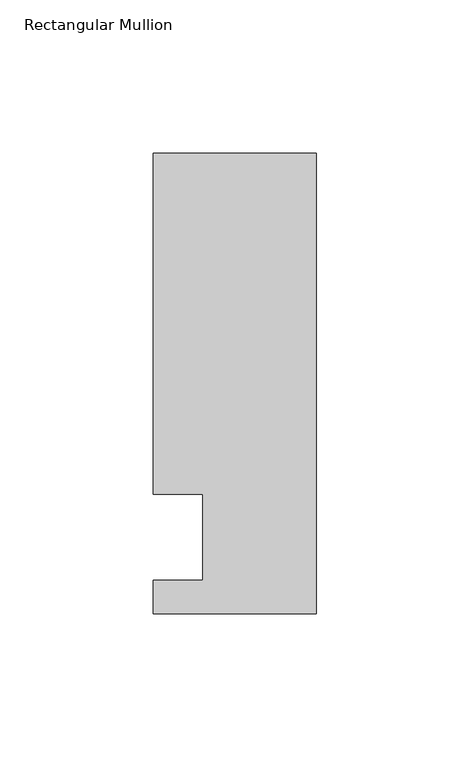
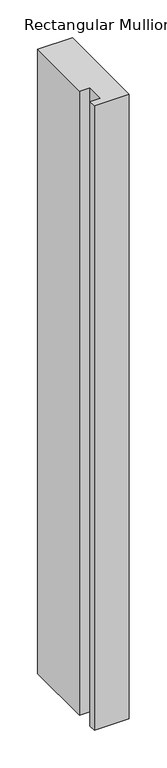
"""IFC4 building model written with IfcOpenShell, lengths in millimetres: member geometry, Rectangular Mullion."""

import ifcopenshell
import ifcopenshell.guid

model = None  # the IFC model being written
_history = None  # IfcOwnerHistory: only IFC2X3 demands one
_inside = {}  # id of a spatial element -> (the spatial element, [elements in it])
_under = {}  # id of a project, library or spatial element -> (it, [spatial elements below it])
_declared = {}  # id of a project -> (the project, [libraries it declares])
_typed = {}  # id of a type object -> (the type object, [elements of that type])
_made_of = {}  # id of a material, layer set ... -> (it, [elements and type objects made of it])


def new_model(schema):
    """Start an empty IFC model of exactly this schema.

    Asked for "IFC4X3", IfcOpenShell would pick the latest addendum, in which some entities
    have other attributes; the version numbers below select the first issue.
    IFC2X3 requires an IfcOwnerHistory on every rooted entity: one is made here for all.
    """
    global model, _history
    if schema == "IFC4X3":
        model = ifcopenshell.file(schema_version=(4, 3, 0, 0))
    else:
        model = ifcopenshell.file(schema=schema)
    _inside.clear()
    _under.clear()
    _declared.clear()
    _typed.clear()
    _made_of.clear()
    _history = None
    if model.schema == "IFC2X3":
        org = make("IfcOrganization", Name="unknown")
        user = make(
            "IfcPersonAndOrganization",
            ThePerson=make("IfcPerson", FamilyName="unknown"),
            TheOrganization=org,
        )
        app = make(
            "IfcApplication",
            ApplicationDeveloper=org,
            Version="unknown",
            ApplicationFullName="unknown",
            ApplicationIdentifier="unknown",
        )
        _history = make(
            "IfcOwnerHistory",
            OwningUser=user,
            OwningApplication=app,
            ChangeAction="ADDED",
            CreationDate=0,
        )
    return model


def make(cls, **values):
    """One entity of the class cls with the attributes given. An attribute that is None is left unset."""
    return model.create_entity(
        cls, **{name: value for name, value in values.items() if value is not None}
    )


def rooted(cls, **values):
    """An entity with a GlobalId (a new one), such as an element, a storey or a relation."""
    return make(cls, GlobalId=ifcopenshell.guid.new(), OwnerHistory=_history, **values)


def si_unit(unit_type, name, prefix=None):
    """IfcSIUnit, for example si_unit("LENGTHUNIT", "METRE", prefix="MILLI")."""
    return make("IfcSIUnit", UnitType=unit_type, Prefix=prefix, Name=name)


def assignment(units):
    """IfcUnitAssignment: the units of a project."""
    return None if units is None else make("IfcUnitAssignment", Units=units)


def point(xyz):
    """IfcCartesianPoint."""
    return None if xyz is None else make("IfcCartesianPoint", Coordinates=xyz)


def direction(xyz):
    """IfcDirection."""
    return None if xyz is None else make("IfcDirection", DirectionRatios=xyz)


def frame(location, z_axis=None, x_axis=None):
    """IfcAxis2Placement3D, a coordinate frame: its origin and axes. An axis left out is left unset."""
    return make(
        "IfcAxis2Placement3D",
        Location=point(location),
        Axis=direction(z_axis),
        RefDirection=direction(x_axis),
    )


def origin():
    """The frame at (0, 0, 0) with its axes left unset."""
    return frame((0.0, 0.0, 0.0))


def place(relative_to, where):
    """IfcLocalPlacement: puts the frame where relative to a parent placement (None: the world)."""
    return make(
        "IfcLocalPlacement", PlacementRelTo=relative_to, RelativePlacement=where
    )


def context(
    kind, dimensions, precision=None, world=None, true_north=None, identifier=None
):
    """IfcGeometricRepresentationContext, for example the 3D "Model" context."""
    return make(
        "IfcGeometricRepresentationContext",
        ContextIdentifier=identifier,
        ContextType=kind,
        CoordinateSpaceDimension=dimensions,
        Precision=precision,
        WorldCoordinateSystem=world,
        TrueNorth=true_north,
    )


def project(units=None, contexts=None):
    """IfcProject with its units and contexts."""
    return rooted(
        "IfcProject",
        Name="project",
        RepresentationContexts=contexts,
        UnitsInContext=assignment(units),
    )


def spatial(cls, under=None, at=None, **own):
    """A site, building, storey or space (cls), placed at a placement, below another one or the project."""
    s = rooted(cls, ObjectPlacement=at, **own)
    if under is not None:
        _under.setdefault(under.id(), (under, []))[1].append(s)
    return s


def polyline(points):
    """IfcPolyline through the points."""
    return make("IfcPolyline", Points=[point(p) for p in points])


def outline(outer, holes=None, kind="AREA"):
    """IfcArbitraryClosedProfileDef: a profile drawn as a closed curve; with holes, ...WithVoids."""
    if holes is None:
        return make("IfcArbitraryClosedProfileDef", ProfileType=kind, OuterCurve=outer)
    return make(
        "IfcArbitraryProfileDefWithVoids",
        ProfileType=kind,
        OuterCurve=outer,
        InnerCurves=holes,
    )


def extrude(swept, where, along, depth):
    """IfcExtrudedAreaSolid: the profile swept, set in the frame where, extruded along a direction by depth."""
    return make(
        "IfcExtrudedAreaSolid",
        SweptArea=swept,
        Position=where,
        ExtrudedDirection=direction(along),
        Depth=depth,
    )


def shape(context_of_items, identifier, shape_type, items):
    """IfcShapeRepresentation: the items that make up one representation, for example the "Body"."""
    return make(
        "IfcShapeRepresentation",
        ContextOfItems=context_of_items,
        RepresentationIdentifier=identifier,
        RepresentationType=shape_type,
        Items=items,
    )


def source(mapping_origin, context_of_items, identifier, shape_type, items):
    """IfcRepresentationMap: a shape defined once, which mapped items show again and again."""
    return make(
        "IfcRepresentationMap",
        MappingOrigin=mapping_origin,
        MappedRepresentation=shape(context_of_items, identifier, shape_type, items),
    )


def transform(
    local_origin,
    x_axis=None,
    y_axis=None,
    z_axis=None,
    scale=None,
    scale2=None,
    scale3=None,
    uniform=True,
):
    """IfcCartesianTransformationOperator3D, or its non-uniform kind. x_axis, y_axis, z_axis: its Axis1, 2, 3."""
    if uniform:
        return make(
            "IfcCartesianTransformationOperator3D",
            Axis1=direction(x_axis),
            Axis2=direction(y_axis),
            LocalOrigin=point(local_origin),
            Scale=scale,
            Axis3=direction(z_axis),
        )
    return make(
        "IfcCartesianTransformationOperator3DnonUniform",
        Axis1=direction(x_axis),
        Axis2=direction(y_axis),
        LocalOrigin=point(local_origin),
        Scale=scale,
        Axis3=direction(z_axis),
        Scale2=scale2,
        Scale3=scale3,
    )


def mapped(mapping_source, mapping_target):
    """IfcMappedItem: shows the shape of a source again, moved by a transform."""
    return make(
        "IfcMappedItem", MappingSource=mapping_source, MappingTarget=mapping_target
    )


def made_of(thing, what):
    """Note that an element or type object is made of a material, layer set ...; save() writes the relation."""
    if what is not None:
        _made_of.setdefault(what.id(), (what, []))[1].append(thing)
    return thing


def element(
    cls,
    number,
    at=None,
    inside=None,
    cuts=None,
    type_object=None,
    material=None,
    context=None,
    identifier="Body",
    shape_type=None,
    held_by="IfcProductDefinitionShape",
    body=None,
    shapes=None,
    **own,
):
    """One element of the class cls, such as IfcWall. Its Tag is "e" and its number.

    at: its placement. inside: the storey or other place that contains it. cuts: it is an
    opening in that element (IfcRelVoidsElement). A single representation is given by context,
    identifier, shape_type and body (its items); several are given by shapes. held_by: the class
    of the entity that holds the representations. save() writes the other relations.
    """
    e = rooted(cls, Tag="e%d" % number, ObjectPlacement=at, **own)
    if body is not None:
        shapes = [shape(context, identifier, shape_type, body)]
    if shapes is not None:
        e.Representation = make(held_by, Representations=shapes)
    if inside is not None:
        _inside.setdefault(inside.id(), (inside, []))[1].append(e)
    if cuts is not None:
        rooted(
            "IfcRelVoidsElement", RelatingBuildingElement=cuts, RelatedOpeningElement=e
        )
    if type_object is not None:
        _typed.setdefault(type_object.id(), (type_object, []))[1].append(e)
    return made_of(e, material)


def aggregate(whole, parts):
    """IfcRelAggregates: a whole, such as a stair, and the parts it consists of."""
    return rooted("IfcRelAggregates", RelatingObject=whole, RelatedObjects=parts)


def save(model, path):
    """Write the relations noted so far, then the file.

    IfcRelAggregates (storeys below a building ...), IfcRelContainedInSpatialStructure (elements
    in a storey), IfcRelDefinesByType, IfcRelAssociatesMaterial and IfcRelDeclares: one each for
    every whole, place, type object, material and project.
    """
    for whole, parts in _under.values():
        aggregate(whole, parts)
    for where, things in _inside.values():
        rooted(
            "IfcRelContainedInSpatialStructure",
            RelatedElements=things,
            RelatingStructure=where,
        )
    for kind, things in _typed.values():
        rooted("IfcRelDefinesByType", RelatedObjects=things, RelatingType=kind)
    for what, things in _made_of.values():
        rooted("IfcRelAssociatesMaterial", RelatedObjects=things, RelatingMaterial=what)
    for by, libraries in _declared.values():
        rooted("IfcRelDeclares", RelatingContext=by, RelatedDefinitions=libraries)
    model.write(path)


def rectangular_mullion_c50a7b30(model_context):
    return source(origin(), model_context, "Body", "SweptSolid", [
        extrude(outline(polyline([(-37.0, 14.0), (-53.0, 14.0), (-53.0, 125.0), (0.0, 125.0), (0.0, -25.0), (-53.0, -25.0), (-53.0, -14.0), (-37.0, -14.0), (-37.0, 14.0)])), frame((0.0, 0.0, -1006.6595328), z_axis=(0.0, 0.0, 1.0), x_axis=(1.0, 0.0, 0.0)), (0.0, 0.0, 1.0), 1006.6595328),
    ])


if __name__ == "__main__":
    model = new_model("IFC4")
    model_context = context("Model", 3, world=origin())
    ifc_project = project(units=[si_unit("LENGTHUNIT", "METRE", prefix="MILLI")], contexts=[model_context])
    site = spatial("IfcSite", under=ifc_project)
    building = spatial("IfcBuilding", under=site)
    placement = place(None, origin())
    rectangular_mullion_shape = rectangular_mullion_c50a7b30(model_context)
    element("IfcMember", 1, ObjectType="Rectangular Mullion", at=placement, inside=building, context=model_context, shape_type="MappedRepresentation", body=[
        mapped(rectangular_mullion_shape, transform((0.0, 0.0, 0.0), x_axis=(1.0, 0.0, 0.0), y_axis=(0.0, 1.0, 0.0), z_axis=(0.0, 0.0, 1.0))),
    ])
    save(model, "model.ifc")
